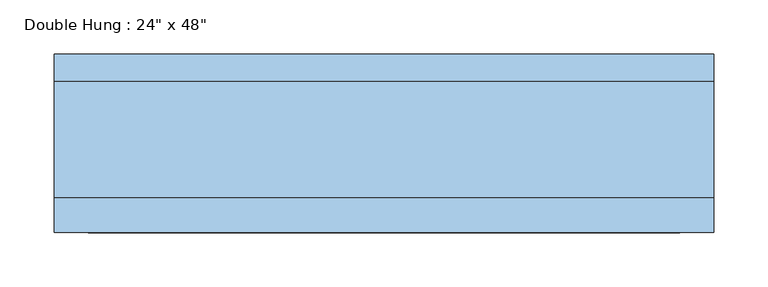
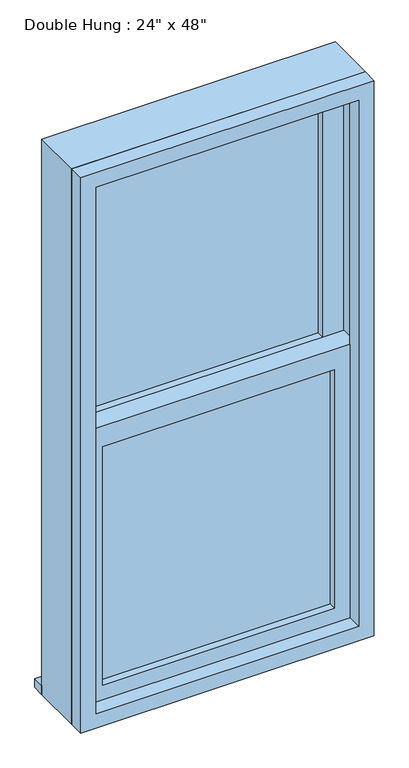
"""IFC4 building model written with IfcOpenShell, lengths in millimetres: window geometry."""

from ifc_helpers import new_model, si_unit, frame, origin, place, context, project, spatial, polyline, outline, extrude, source, transform, mapped, element, save


def window_c787444c(model_context):
    return source(origin(), model_context, "Body", "SweptSolid", [
        extrude(outline(polyline([(-241.3, -9.525), (241.3, -9.525), (241.3, -22.225), (-241.3, -22.225), (-241.3, -9.525)])), frame((0.0, 0.0, 977.9), z_axis=(0.0, 0.0, 1.0), x_axis=(1.0, 0.0, 0.0)), (0.0, 0.0, 1.0), 523.875),
        extrude(outline(polyline([(1546.225, -285.75), (933.45, -285.75), (933.45, 285.75), (1546.225, 285.75), (1546.225, -285.75)]), holes=[polyline([(1501.775, -241.3), (1501.775, 241.3), (977.9, 241.3), (977.9, -241.3), (1501.775, -241.3)])]), frame((0.0, -38.1, 0.0), z_axis=(0.0, 1.0, 0.0), x_axis=(0.0, 0.0, 1.0)), (0.0, 0.0, 1.0), 44.45),
        extrude(outline(polyline([(-304.8, 95.25), (304.8, 95.25), (304.8, 69.85), (-304.8, 69.85), (-304.8, 95.25)])), frame((0.0, 0.0, 914.4), z_axis=(0.0, 0.0, 1.0), x_axis=(1.0, 0.0, 0.0)), (0.0, 0.0, 1.0), 19.05),
        extrude(outline(polyline([(241.3, 22.225), (-241.3, 22.225), (-241.3, 34.925), (241.3, 34.925), (241.3, 22.225)])), frame((0.0, 0.0, 1546.225), z_axis=(0.0, 0.0, 1.0), x_axis=(1.0, 0.0, 0.0)), (0.0, 0.0, 1.0), 523.875),
        extrude(outline(polyline([(2114.55, -285.75), (1501.775, -285.75), (1501.775, 285.75), (2114.55, 285.75), (2114.55, -285.75)]), holes=[polyline([(2070.1, -241.3), (2070.1, 241.3), (1546.225, 241.3), (1546.225, -241.3), (2070.1, -241.3)])]), frame((0.0, 6.35, 0.0), z_axis=(0.0, 1.0, 0.0), x_axis=(0.0, 0.0, 1.0)), (0.0, 0.0, 1.0), 44.45),
        extrude(outline(polyline([(2133.6, -304.8), (914.4, -304.8), (914.4, 304.8), (2133.6, 304.8), (2133.6, -304.8)]), holes=[polyline([(2101.85, -273.05), (2101.85, 273.05), (946.15, 273.05), (946.15, -273.05), (2101.85, -273.05)])]), frame((0.0, -69.85, 0.0), z_axis=(0.0, 1.0, 0.0), x_axis=(0.0, 0.0, 1.0)), (0.0, 0.0, 1.0), 31.75),
        extrude(outline(polyline([(2133.6, 304.8), (2133.6, -304.8), (914.4, -304.8), (914.4, 304.8), (2133.6, 304.8)]), holes=[polyline([(2114.55, 285.75), (933.45, 285.75), (933.45, -285.75), (2114.55, -285.75), (2114.55, 285.75)])]), frame((0.0, -38.1, 0.0), z_axis=(0.0, 1.0, 0.0), x_axis=(0.0, 0.0, 1.0)), (0.0, 0.0, 1.0), 107.95),
    ])


if __name__ == "__main__":
    model = new_model("IFC4")
    model_context = context("Model", 3, world=origin())
    ifc_project = project(units=[si_unit("LENGTHUNIT", "METRE", prefix="MILLI")], contexts=[model_context])
    site = spatial("IfcSite", under=ifc_project)
    building = spatial("IfcBuilding", under=site)
    placement = place(None, origin())
    window_shape = window_c787444c(model_context)
    element("IfcWindow", 1, ObjectType="Double Hung : 24\" x 48\"", at=placement, inside=building, context=model_context, shape_type="MappedRepresentation", body=[
        mapped(window_shape, transform((0.0, 0.0, 0.0), x_axis=(1.0, 0.0, 0.0), y_axis=(0.0, 1.0, 0.0), z_axis=(0.0, 0.0, 1.0))),
    ])
    save(model, "model.ifc")
